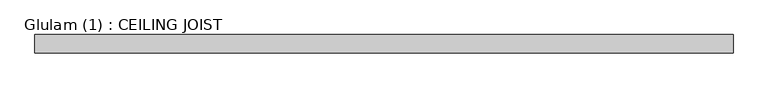
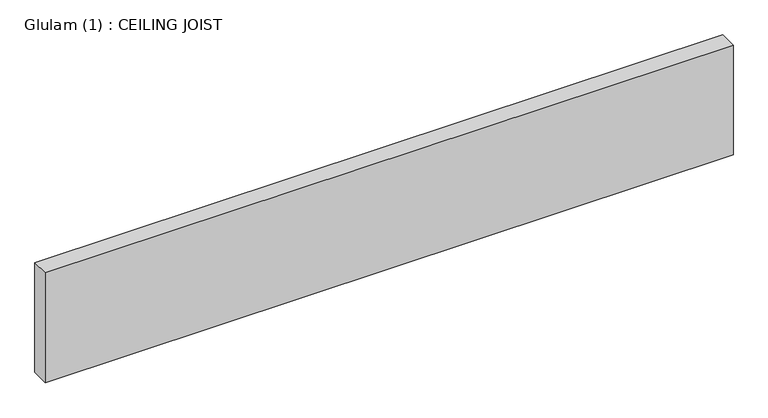
"""IFC4 building model written with IfcOpenShell, lengths in millimetres: beam geometry, Glulam (1) : CEILING JOIST."""

from ifc_helpers import new_model, si_unit, frame, origin, place, context, project, spatial, polyline, outline, extrude, source, transform, mapped, element, save


def glulam_1_ceiling_joist_c8248db0(model_context):
    return source(origin(), model_context, "Body", "SweptSolid", [
        extrude(outline(polyline([(847.5, 22.5), (847.5, -22.5), (-871.5, -22.5), (-871.5, 22.5), (847.5, 22.5)])), frame((0.0, 0.0, -145.0), z_axis=(0.0, 0.0, 1.0), x_axis=(1.0, 0.0, 0.0)), (0.0, 0.0, 1.0), 290.0),
    ])


if __name__ == "__main__":
    model = new_model("IFC4")
    model_context = context("Model", 3, world=origin())
    ifc_project = project(units=[si_unit("LENGTHUNIT", "METRE", prefix="MILLI")], contexts=[model_context])
    site = spatial("IfcSite", under=ifc_project)
    building = spatial("IfcBuilding", under=site)
    placement = place(None, origin())
    glulam_1_ceiling_joist_shape = glulam_1_ceiling_joist_c8248db0(model_context)
    element("IfcBeam", 1, ObjectType="Glulam (1) : CEILING JOIST", at=placement, inside=building, context=model_context, shape_type="MappedRepresentation", body=[
        mapped(glulam_1_ceiling_joist_shape, transform((0.0, 0.0, 0.0), x_axis=(1.0, 0.0, 0.0), y_axis=(0.0, 1.0, 0.0), z_axis=(0.0, 0.0, 1.0))),
    ])
    save(model, "model.ifc")
